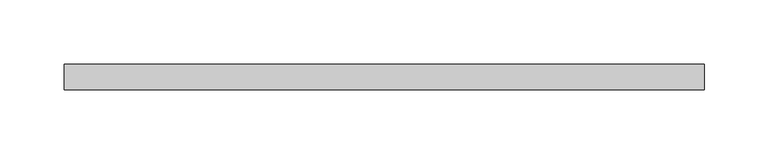
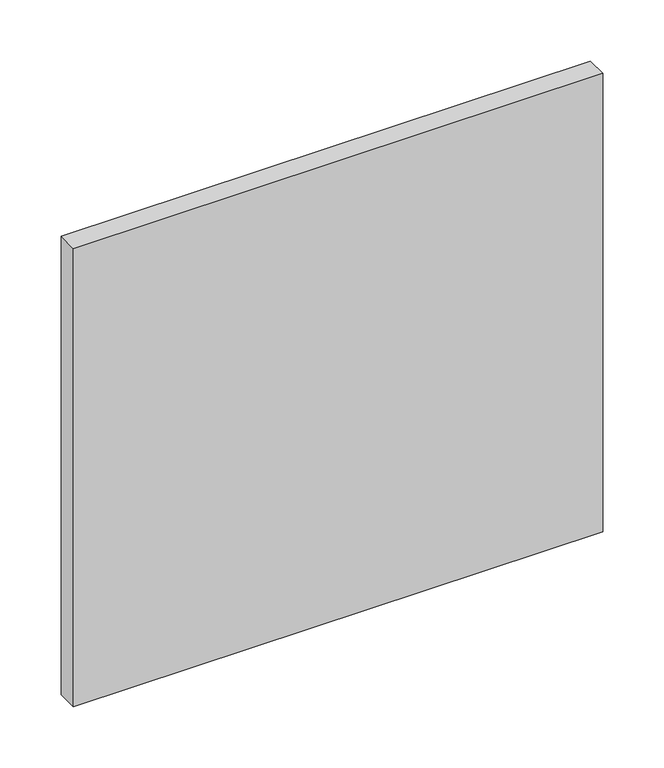
"""IFC4 building model written with IfcOpenShell, lengths in millimetres: plate geometry."""

from ifc_helpers import new_model, si_unit, origin, origin_with_axes, place, context, project, spatial, polyline, outline, extrude, source, transform, mapped, element, save


def plate_8c736748(model_context):
    return source(origin(), model_context, "Body", "SweptSolid", [
        extrude(outline(polyline([(250.0, 70.0), (-250.0, 70.0), (-250.0, 90.0), (250.0, 90.0), (250.0, 70.0)])), origin_with_axes(), (0.0, 0.0, 1.0), 457.7375),
    ])


if __name__ == "__main__":
    model = new_model("IFC4")
    model_context = context("Model", 3, world=origin())
    ifc_project = project(units=[si_unit("LENGTHUNIT", "METRE", prefix="MILLI")], contexts=[model_context])
    site = spatial("IfcSite", under=ifc_project)
    building = spatial("IfcBuilding", under=site)
    placement = place(None, origin())
    plate_shape = plate_8c736748(model_context)
    element("IfcPlate", 1, at=placement, inside=building, context=model_context, shape_type="MappedRepresentation", body=[
        mapped(plate_shape, transform((0.0, 0.0, 0.0), x_axis=(1.0, 0.0, 0.0), y_axis=(0.0, 1.0, 0.0), z_axis=(0.0, 0.0, 1.0))),
    ])
    save(model, "model.ifc")
